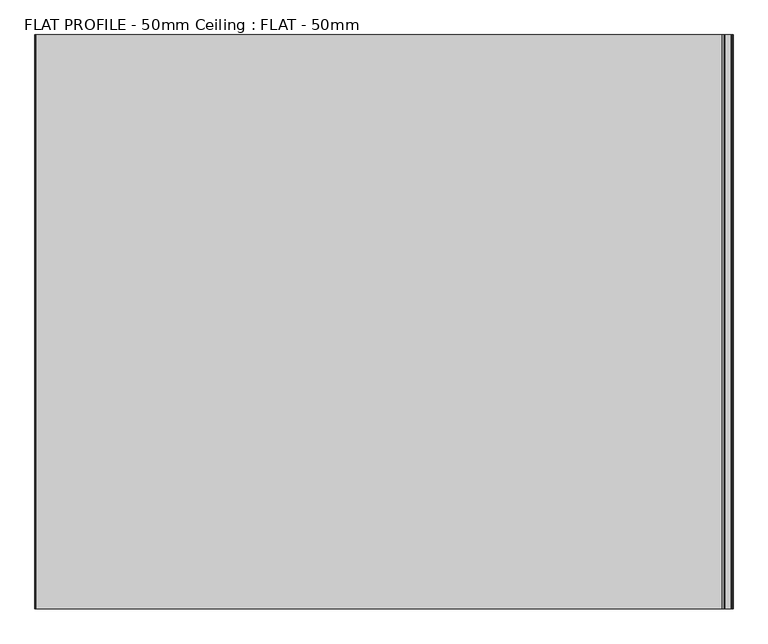
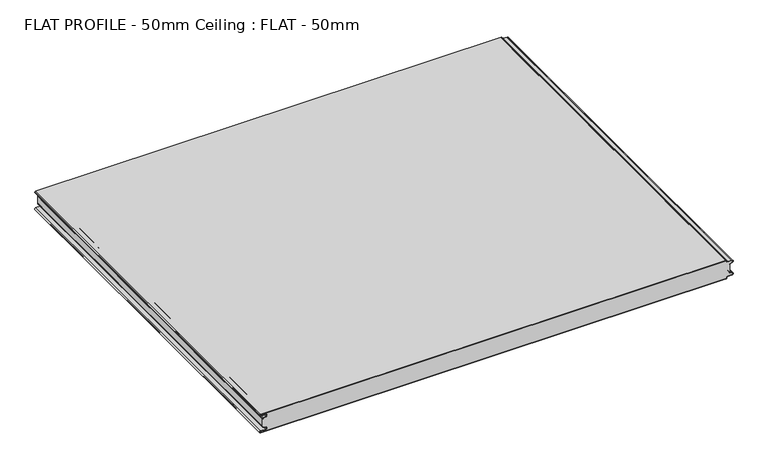
"""IFC4 building model written with IfcOpenShell, lengths in millimetres: proxy geometry, FLAT PROFILE - 50mm Ceiling : FLAT - 50mm."""

import ifcopenshell
import ifcopenshell.guid

model = None  # the IFC model being written
_history = None  # IfcOwnerHistory: only IFC2X3 demands one
_inside = {}  # id of a spatial element -> (the spatial element, [elements in it])
_under = {}  # id of a project, library or spatial element -> (it, [spatial elements below it])
_declared = {}  # id of a project -> (the project, [libraries it declares])
_typed = {}  # id of a type object -> (the type object, [elements of that type])
_made_of = {}  # id of a material, layer set ... -> (it, [elements and type objects made of it])


def new_model(schema):
    """Start an empty IFC model of exactly this schema.

    Asked for "IFC4X3", IfcOpenShell would pick the latest addendum, in which some entities
    have other attributes; the version numbers below select the first issue.
    IFC2X3 requires an IfcOwnerHistory on every rooted entity: one is made here for all.
    """
    global model, _history
    if schema == "IFC4X3":
        model = ifcopenshell.file(schema_version=(4, 3, 0, 0))
    else:
        model = ifcopenshell.file(schema=schema)
    _inside.clear()
    _under.clear()
    _declared.clear()
    _typed.clear()
    _made_of.clear()
    _history = None
    if model.schema == "IFC2X3":
        org = make("IfcOrganization", Name="unknown")
        user = make(
            "IfcPersonAndOrganization",
            ThePerson=make("IfcPerson", FamilyName="unknown"),
            TheOrganization=org,
        )
        app = make(
            "IfcApplication",
            ApplicationDeveloper=org,
            Version="unknown",
            ApplicationFullName="unknown",
            ApplicationIdentifier="unknown",
        )
        _history = make(
            "IfcOwnerHistory",
            OwningUser=user,
            OwningApplication=app,
            ChangeAction="ADDED",
            CreationDate=0,
        )
    return model


def make(cls, **values):
    """One entity of the class cls with the attributes given. An attribute that is None is left unset."""
    return model.create_entity(
        cls, **{name: value for name, value in values.items() if value is not None}
    )


def rooted(cls, **values):
    """An entity with a GlobalId (a new one), such as an element, a storey or a relation."""
    return make(cls, GlobalId=ifcopenshell.guid.new(), OwnerHistory=_history, **values)


def si_unit(unit_type, name, prefix=None):
    """IfcSIUnit, for example si_unit("LENGTHUNIT", "METRE", prefix="MILLI")."""
    return make("IfcSIUnit", UnitType=unit_type, Prefix=prefix, Name=name)


def assignment(units):
    """IfcUnitAssignment: the units of a project."""
    return None if units is None else make("IfcUnitAssignment", Units=units)


def point(xyz):
    """IfcCartesianPoint."""
    return None if xyz is None else make("IfcCartesianPoint", Coordinates=xyz)


def direction(xyz):
    """IfcDirection."""
    return None if xyz is None else make("IfcDirection", DirectionRatios=xyz)


def frame(location, z_axis=None, x_axis=None):
    """IfcAxis2Placement3D, a coordinate frame: its origin and axes. An axis left out is left unset."""
    return make(
        "IfcAxis2Placement3D",
        Location=point(location),
        Axis=direction(z_axis),
        RefDirection=direction(x_axis),
    )


def frame_2d(location, x_axis=None):
    """IfcAxis2Placement2D, a coordinate frame in the plane: its origin and x axis."""
    return make(
        "IfcAxis2Placement2D", Location=point(location), RefDirection=direction(x_axis)
    )


def origin():
    """The frame at (0, 0, 0) with its axes left unset."""
    return frame((0.0, 0.0, 0.0))


def place(relative_to, where):
    """IfcLocalPlacement: puts the frame where relative to a parent placement (None: the world)."""
    return make(
        "IfcLocalPlacement", PlacementRelTo=relative_to, RelativePlacement=where
    )


def context(
    kind, dimensions, precision=None, world=None, true_north=None, identifier=None
):
    """IfcGeometricRepresentationContext, for example the 3D "Model" context."""
    return make(
        "IfcGeometricRepresentationContext",
        ContextIdentifier=identifier,
        ContextType=kind,
        CoordinateSpaceDimension=dimensions,
        Precision=precision,
        WorldCoordinateSystem=world,
        TrueNorth=true_north,
    )


def project(units=None, contexts=None):
    """IfcProject with its units and contexts."""
    return rooted(
        "IfcProject",
        Name="project",
        RepresentationContexts=contexts,
        UnitsInContext=assignment(units),
    )


def spatial(cls, under=None, at=None, **own):
    """A site, building, storey or space (cls), placed at a placement, below another one or the project."""
    s = rooted(cls, ObjectPlacement=at, **own)
    if under is not None:
        _under.setdefault(under.id(), (under, []))[1].append(s)
    return s


def polyline(points):
    """IfcPolyline through the points."""
    return make("IfcPolyline", Points=[point(p) for p in points])


def circle_curve(where, radius):
    """IfcCircle in the frame where."""
    return make("IfcCircle", Position=where, Radius=radius)


def trimmed(basis, trim1, trim2, sense, master):
    """IfcTrimmedCurve: the piece of a basis curve between two trims."""
    return make(
        "IfcTrimmedCurve",
        BasisCurve=basis,
        Trim1=trim1,
        Trim2=trim2,
        SenseAgreement=sense,
        MasterRepresentation=master,
    )


def segment(curve, same_sense, transition):
    """IfcCompositeCurveSegment."""
    return make(
        "IfcCompositeCurveSegment",
        Transition=transition,
        SameSense=same_sense,
        ParentCurve=curve,
    )


def composite_curve(segments, self_intersect=None):
    """IfcCompositeCurve: segments joined end to end."""
    return make("IfcCompositeCurve", Segments=segments, SelfIntersect=self_intersect)


def outline(outer, holes=None, kind="AREA"):
    """IfcArbitraryClosedProfileDef: a profile drawn as a closed curve; with holes, ...WithVoids."""
    if holes is None:
        return make("IfcArbitraryClosedProfileDef", ProfileType=kind, OuterCurve=outer)
    return make(
        "IfcArbitraryProfileDefWithVoids",
        ProfileType=kind,
        OuterCurve=outer,
        InnerCurves=holes,
    )


def extrude(swept, where, along, depth):
    """IfcExtrudedAreaSolid: the profile swept, set in the frame where, extruded along a direction by depth."""
    return make(
        "IfcExtrudedAreaSolid",
        SweptArea=swept,
        Position=where,
        ExtrudedDirection=direction(along),
        Depth=depth,
    )


def shape(context_of_items, identifier, shape_type, items):
    """IfcShapeRepresentation: the items that make up one representation, for example the "Body"."""
    return make(
        "IfcShapeRepresentation",
        ContextOfItems=context_of_items,
        RepresentationIdentifier=identifier,
        RepresentationType=shape_type,
        Items=items,
    )


def source(mapping_origin, context_of_items, identifier, shape_type, items):
    """IfcRepresentationMap: a shape defined once, which mapped items show again and again."""
    return make(
        "IfcRepresentationMap",
        MappingOrigin=mapping_origin,
        MappedRepresentation=shape(context_of_items, identifier, shape_type, items),
    )


def transform(
    local_origin,
    x_axis=None,
    y_axis=None,
    z_axis=None,
    scale=None,
    scale2=None,
    scale3=None,
    uniform=True,
):
    """IfcCartesianTransformationOperator3D, or its non-uniform kind. x_axis, y_axis, z_axis: its Axis1, 2, 3."""
    if uniform:
        return make(
            "IfcCartesianTransformationOperator3D",
            Axis1=direction(x_axis),
            Axis2=direction(y_axis),
            LocalOrigin=point(local_origin),
            Scale=scale,
            Axis3=direction(z_axis),
        )
    return make(
        "IfcCartesianTransformationOperator3DnonUniform",
        Axis1=direction(x_axis),
        Axis2=direction(y_axis),
        LocalOrigin=point(local_origin),
        Scale=scale,
        Axis3=direction(z_axis),
        Scale2=scale2,
        Scale3=scale3,
    )


def mapped(mapping_source, mapping_target):
    """IfcMappedItem: shows the shape of a source again, moved by a transform."""
    return make(
        "IfcMappedItem", MappingSource=mapping_source, MappingTarget=mapping_target
    )


def made_of(thing, what):
    """Note that an element or type object is made of a material, layer set ...; save() writes the relation."""
    if what is not None:
        _made_of.setdefault(what.id(), (what, []))[1].append(thing)
    return thing


def element(
    cls,
    number,
    at=None,
    inside=None,
    cuts=None,
    type_object=None,
    material=None,
    context=None,
    identifier="Body",
    shape_type=None,
    held_by="IfcProductDefinitionShape",
    body=None,
    shapes=None,
    **own,
):
    """One element of the class cls, such as IfcWall. Its Tag is "e" and its number.

    at: its placement. inside: the storey or other place that contains it. cuts: it is an
    opening in that element (IfcRelVoidsElement). A single representation is given by context,
    identifier, shape_type and body (its items); several are given by shapes. held_by: the class
    of the entity that holds the representations. save() writes the other relations.
    """
    e = rooted(cls, Tag="e%d" % number, ObjectPlacement=at, **own)
    if body is not None:
        shapes = [shape(context, identifier, shape_type, body)]
    if shapes is not None:
        e.Representation = make(held_by, Representations=shapes)
    if inside is not None:
        _inside.setdefault(inside.id(), (inside, []))[1].append(e)
    if cuts is not None:
        rooted(
            "IfcRelVoidsElement", RelatingBuildingElement=cuts, RelatedOpeningElement=e
        )
    if type_object is not None:
        _typed.setdefault(type_object.id(), (type_object, []))[1].append(e)
    return made_of(e, material)


def aggregate(whole, parts):
    """IfcRelAggregates: a whole, such as a stair, and the parts it consists of."""
    return rooted("IfcRelAggregates", RelatingObject=whole, RelatedObjects=parts)


def save(model, path):
    """Write the relations noted so far, then the file.

    IfcRelAggregates (storeys below a building ...), IfcRelContainedInSpatialStructure (elements
    in a storey), IfcRelDefinesByType, IfcRelAssociatesMaterial and IfcRelDeclares: one each for
    every whole, place, type object, material and project.
    """
    for whole, parts in _under.values():
        aggregate(whole, parts)
    for where, things in _inside.values():
        rooted(
            "IfcRelContainedInSpatialStructure",
            RelatedElements=things,
            RelatingStructure=where,
        )
    for kind, things in _typed.values():
        rooted("IfcRelDefinesByType", RelatedObjects=things, RelatingType=kind)
    for what, things in _made_of.values():
        rooted("IfcRelAssociatesMaterial", RelatedObjects=things, RelatingMaterial=what)
    for by, libraries in _declared.values():
        rooted("IfcRelDeclares", RelatingContext=by, RelatedDefinitions=libraries)
    model.write(path)


def flat_profile_50mm_ceiling_flat_50mm_7927573b(model_context):
    return source(origin(), model_context, "Body", "SweptSolid", [
        extrude(outline(composite_curve([segment(polyline([(2488.8871068, -591.3794419), (2488.0861181, -589.3904999), (2486.0875611, -583.8995097)]), True, "CONTINUOUS"), segment(trimmed(circle_curve(frame_2d((2482.6623542, -585.2882153)), 3.6960175), [point((2486.0875611, -583.8995097))], [point((2478.983993, -584.9273771))], True, "CARTESIAN"), True, "CONTINUOUS"), segment(polyline([(2478.983993, -584.9273771), (2478.983993, -597.3733883)]), True, "CONTINUOUS"), segment(trimmed(circle_curve(frame_2d((2477.4887057, -597.4921978)), 1.5), [point((2478.983993, -597.3733883))], [point((2476.0000019, -597.3084562))], False, "CARTESIAN"), True, "CONTINUOUS"), segment(polyline([(2476.0000019, -597.3084562), (2476.0000019, 596.902372)]), True, "CONTINUOUS"), segment(trimmed(circle_curve(frame_2d((2477.5073578, 596.9047345)), 1.5073578), [point((2476.0000019, 596.902372))], [point((2477.54607, 598.4115951))], False, "CARTESIAN"), True, "CONTINUOUS"), segment(trimmed(circle_curve(frame_2d((2477.5000019, 601.9112919)), 3.5), [point((2477.54607, 598.4115951))], [point((2481.0000019, 601.9112919))], True, "CARTESIAN"), True, "CONTINUOUS"), segment(polyline([(2481.0000019, 601.9112919), (2481.0000019, 612.3116271)]), True, "CONTINUOUS"), segment(trimmed(circle_curve(frame_2d((2483.1000019, 612.3116271)), 2.1), [point((2481.0000019, 612.3116271))], [point((2485.0683049, 613.0435993))], False, "CARTESIAN"), True, "CONTINUOUS"), segment(polyline([(2485.0683049, 613.0435993), (2485.8937036, 610.7828028), (2487.0845881, 607.8546835)]), True, "CONTINUOUS"), segment(trimmed(circle_curve(frame_2d((2489.7531084, 608.9399875)), 2.8807786), [point((2487.0845881, 607.8546835))], [point((2489.5249297, 606.0682599))], True, "CARTESIAN"), True, "CONTINUOUS"), segment(polyline([(2489.5249297, 606.0682599), (2490.7477805, 606.0107004), (2490.7477805, 607.0118076), (2509.2522232, 607.0118076), (2509.2522232, 606.0107004), (2510.475074, 606.0682599)]), True, "CONTINUOUS"), segment(trimmed(circle_curve(frame_2d((2510.2468953, 608.9399875)), 2.8807786), [point((2510.475074, 606.0682599))], [point((2512.9154156, 607.8546835))], True, "CARTESIAN"), True, "CONTINUOUS"), segment(polyline([(2512.9154156, 607.8546835), (2514.1063001, 610.7828028), (2514.9316988, 613.0435993)]), True, "CONTINUOUS"), segment(trimmed(circle_curve(frame_2d((2516.9000019, 612.3116271)), 2.1), [point((2514.9316988, 613.0435993))], [point((2519.0000019, 612.3116271))], False, "CARTESIAN"), True, "CONTINUOUS"), segment(polyline([(2519.0000019, 612.3116271), (2519.0000019, 601.9112919)]), True, "CONTINUOUS"), segment(trimmed(circle_curve(frame_2d((2522.5000019, 601.9112919)), 3.5), [point((2519.0000019, 601.9112919))], [point((2522.4539337, 598.4115951))], True, "CARTESIAN"), True, "CONTINUOUS"), segment(trimmed(circle_curve(frame_2d((2522.4926459, 596.9047345)), 1.5073578), [point((2522.4539337, 598.4115951))], [point((2524.0000019, 596.902372))], False, "CARTESIAN"), True, "CONTINUOUS"), segment(polyline([(2524.0000019, 596.902372), (2524.0000019, -597.3084562)]), True, "CONTINUOUS"), segment(trimmed(circle_curve(frame_2d((2522.511298, -597.4921978)), 1.5), [point((2524.0000019, -597.3084562))], [point((2521.0160107, -597.3733883))], False, "CARTESIAN"), True, "CONTINUOUS"), segment(polyline([(2521.0160107, -597.3733883), (2521.0160107, -584.9273771)]), True, "CONTINUOUS"), segment(trimmed(circle_curve(frame_2d((2517.3376495, -585.2882153)), 3.6960175), [point((2521.0160107, -584.9273771))], [point((2513.9124426, -583.8995097))], True, "CARTESIAN"), True, "CONTINUOUS"), segment(polyline([(2513.9124426, -583.8995097), (2511.9138856, -589.3904999), (2511.1128969, -591.3794419)]), True, "CONTINUOUS"), segment(trimmed(circle_curve(frame_2d((2510.1831944, -591.0050311)), 1.0022625), [point((2511.1128969, -591.3794419))], [point((2510.3779357, -591.9881924))], False, "CARTESIAN"), True, "CONTINUOUS"), segment(polyline([(2510.3779357, -591.9881924), (2509.2522251, -591.9881924), (2509.2522251, -592.9881924), (2490.7477823, -592.9881924), (2490.7477823, -591.9881924), (2489.6220681, -591.9881924)]), True, "CONTINUOUS"), segment(trimmed(circle_curve(frame_2d((2489.8168093, -591.0050311)), 1.0022625), [point((2489.6220681, -591.9881924))], [point((2488.8871068, -591.3794419))], False, "CARTESIAN"), True, "CONTINUOUS")], self_intersect=False)), frame((0.0, 1500.0000019, 0.0), z_axis=(0.0, 1.0, 0.0), x_axis=(0.0, 0.0, 1.0)), (0.0, 0.0, 1.0), 1000.0),
        extrude(outline(composite_curve([segment(trimmed(circle_curve(frame_2d((2489.8168075, -591.0050311)), 1.0022625), [point((2488.8871049, -591.3794419))], [point((2489.6220662, -591.9881924))], True, "CARTESIAN"), True, "CONTINUOUS"), segment(polyline([(2489.6220662, -591.9881924), (2490.7477805, -591.9881924), (2490.7477805, -592.9881924), (2489.5408967, -592.9881924)]), True, "CONTINUOUS"), segment(trimmed(circle_curve(frame_2d((2489.8168075, -591.0050311)), 2.0022625), [point((2489.5408967, -592.9881924))], [point((2487.9595011, -591.7530074))], False, "CARTESIAN"), True, "CONTINUOUS"), segment(polyline([(2487.9595011, -591.7530074), (2487.1522016, -589.7483949), (2485.1545303, -584.2598383)]), True, "CONTINUOUS"), segment(trimmed(circle_curve(frame_2d((2482.6623524, -585.2882153)), 2.6960175), [point((2485.1545303, -584.2598383))], [point((2479.9839912, -584.9801705))], True, "CARTESIAN"), True, "CONTINUOUS"), segment(polyline([(2479.9839912, -584.9801705), (2479.9839912, -597.3387672)]), True, "CONTINUOUS"), segment(trimmed(circle_curve(frame_2d((2477.4887038, -597.4921978)), 2.5), [point((2479.9839912, -597.3387672))], [point((2475.0, -597.2548091))], False, "CARTESIAN"), True, "CONTINUOUS"), segment(polyline([(2475.0, -597.2548091), (2475.0, 596.9016875)]), True, "CONTINUOUS"), segment(trimmed(circle_curve(frame_2d((2477.5073559, 596.9047345)), 2.5073578), [point((2475.0, 596.9016875))], [point((2477.5482843, 599.4117582))], False, "CARTESIAN"), True, "CONTINUOUS"), segment(trimmed(circle_curve(frame_2d((2477.5, 601.9112919)), 2.5), [point((2477.5482843, 599.4117582))], [point((2480.0, 601.9112919))], True, "CARTESIAN"), True, "CONTINUOUS"), segment(polyline([(2480.0, 601.9112919), (2480.0, 612.3116271)]), True, "CONTINUOUS"), segment(trimmed(circle_curve(frame_2d((2483.1, 612.3116271)), 3.1), [point((2480.0, 612.3116271))], [point((2486.0067312, 613.3890842))], False, "CARTESIAN"), True, "CONTINUOUS"), segment(polyline([(2486.0067312, 613.3890842), (2486.826844, 611.1427659), (2487.945075, 608.2411829)]), True, "CONTINUOUS"), segment(trimmed(circle_curve(frame_2d((2489.8407353, 609.0514567)), 2.0615701), [point((2487.945075, 608.2411829))], [point((2489.5408967, 607.0118076))], True, "CARTESIAN"), True, "CONTINUOUS"), segment(polyline([(2489.5408967, 607.0118076), (2490.7477786, 607.0118076), (2490.7477786, 606.0107004), (2489.5249279, 606.0682599)]), True, "CONTINUOUS"), segment(trimmed(circle_curve(frame_2d((2489.7531065, 608.9399875)), 2.8807786), [point((2489.5249279, 606.0682599))], [point((2487.0845863, 607.8546835))], False, "CARTESIAN"), True, "CONTINUOUS"), segment(polyline([(2487.0845863, 607.8546835), (2485.8937017, 610.7828028), (2485.068303, 613.0435993)]), True, "CONTINUOUS"), segment(trimmed(circle_curve(frame_2d((2483.1, 612.3116271)), 2.1), [point((2485.068303, 613.0435993))], [point((2481.0, 612.3116271))], True, "CARTESIAN"), True, "CONTINUOUS"), segment(polyline([(2481.0, 612.3116271), (2481.0, 601.9112919)]), True, "CONTINUOUS"), segment(trimmed(circle_curve(frame_2d((2477.5, 601.9112919)), 3.5), [point((2481.0, 601.9112919))], [point((2477.5460681, 598.4115951))], False, "CARTESIAN"), True, "CONTINUOUS"), segment(trimmed(circle_curve(frame_2d((2477.5073559, 596.9047345)), 1.5073578), [point((2477.5460681, 598.4115951))], [point((2476.0, 596.902372))], True, "CARTESIAN"), True, "CONTINUOUS"), segment(polyline([(2476.0, 596.902372), (2476.0, -597.3084562)]), True, "CONTINUOUS"), segment(trimmed(circle_curve(frame_2d((2477.4887038, -597.4921978)), 1.5), [point((2476.0, -597.3084562))], [point((2478.9839912, -597.3733883))], True, "CARTESIAN"), True, "CONTINUOUS"), segment(polyline([(2478.9839912, -597.3733883), (2478.9839912, -584.9273771)]), True, "CONTINUOUS"), segment(trimmed(circle_curve(frame_2d((2482.6623524, -585.2882153)), 3.6960175), [point((2478.9839912, -584.9273771))], [point((2486.0875592, -583.8995097))], False, "CARTESIAN"), True, "CONTINUOUS"), segment(polyline([(2486.0875592, -583.8995097), (2488.0861162, -589.3904999), (2488.8871049, -591.3794419)]), True, "CONTINUOUS")], self_intersect=False)), frame((0.0, 1500.0000019, 0.0), z_axis=(0.0, 1.0, 0.0), x_axis=(0.0, 0.0, 1.0)), (0.0, 0.0, 1.0), 1000.0),
        extrude(outline(composite_curve([segment(polyline([(2511.1128951, -591.3794419), (2511.9138838, -589.3904999), (2513.9124408, -583.8995097)]), True, "CONTINUOUS"), segment(trimmed(circle_curve(frame_2d((2517.3376476, -585.2882153)), 3.6960175), [point((2513.9124408, -583.8995097))], [point((2521.0160088, -584.9273771))], False, "CARTESIAN"), True, "CONTINUOUS"), segment(polyline([(2521.0160088, -584.9273771), (2521.0160088, -597.3733883)]), True, "CONTINUOUS"), segment(trimmed(circle_curve(frame_2d((2522.5112962, -597.4921978)), 1.5), [point((2521.0160088, -597.3733883))], [point((2524.0, -597.3084562))], True, "CARTESIAN"), True, "CONTINUOUS"), segment(polyline([(2524.0, -597.3084562), (2524.0, 596.902372)]), True, "CONTINUOUS"), segment(trimmed(circle_curve(frame_2d((2522.4926441, 596.9047345)), 1.5073578), [point((2524.0, 596.902372))], [point((2522.4539319, 598.4115951))], True, "CARTESIAN"), True, "CONTINUOUS"), segment(trimmed(circle_curve(frame_2d((2522.5, 601.9112919)), 3.5), [point((2522.4539319, 598.4115951))], [point((2519.0, 601.9112919))], False, "CARTESIAN"), True, "CONTINUOUS"), segment(polyline([(2519.0, 601.9112919), (2519.0, 612.3116271)]), True, "CONTINUOUS"), segment(trimmed(circle_curve(frame_2d((2516.9, 612.3116271)), 2.1), [point((2519.0, 612.3116271))], [point((2514.931697, 613.0435993))], True, "CARTESIAN"), True, "CONTINUOUS"), segment(polyline([(2514.931697, 613.0435993), (2514.1062983, 610.7828028), (2512.9154137, 607.8546835)]), True, "CONTINUOUS"), segment(trimmed(circle_curve(frame_2d((2510.2468935, 608.9399875)), 2.8807786), [point((2512.9154137, 607.8546835))], [point((2510.4750721, 606.0682599))], False, "CARTESIAN"), True, "CONTINUOUS"), segment(polyline([(2510.4750721, 606.0682599), (2509.2522214, 606.0107004), (2509.2522214, 607.0118076), (2510.4591033, 607.0118076)]), True, "CONTINUOUS"), segment(trimmed(circle_curve(frame_2d((2510.1592647, 609.0514567)), 2.0615701), [point((2510.4591033, 607.0118076))], [point((2512.054925, 608.2411829))], True, "CARTESIAN"), True, "CONTINUOUS"), segment(polyline([(2512.054925, 608.2411829), (2513.173156, 611.1427659), (2513.9932688, 613.3890842)]), True, "CONTINUOUS"), segment(trimmed(circle_curve(frame_2d((2516.9, 612.3116271)), 3.1), [point((2513.9932688, 613.3890842))], [point((2520.0, 612.3116271))], False, "CARTESIAN"), True, "CONTINUOUS"), segment(polyline([(2520.0, 612.3116271), (2520.0, 601.9112919)]), True, "CONTINUOUS"), segment(trimmed(circle_curve(frame_2d((2522.5, 601.9112919)), 2.5), [point((2520.0, 601.9112919))], [point((2522.4517157, 599.4117582))], True, "CARTESIAN"), True, "CONTINUOUS"), segment(trimmed(circle_curve(frame_2d((2522.4926441, 596.9047345)), 2.5073578), [point((2522.4517157, 599.4117582))], [point((2525.0, 596.9016875))], False, "CARTESIAN"), True, "CONTINUOUS"), segment(polyline([(2525.0, 596.9016875), (2525.0, -597.2548091)]), True, "CONTINUOUS"), segment(trimmed(circle_curve(frame_2d((2522.5112962, -597.4921978)), 2.5), [point((2525.0, -597.2548091))], [point((2520.0160088, -597.3387672))], False, "CARTESIAN"), True, "CONTINUOUS"), segment(polyline([(2520.0160088, -597.3387672), (2520.0160088, -584.9801705)]), True, "CONTINUOUS"), segment(trimmed(circle_curve(frame_2d((2517.3376476, -585.2882153)), 2.6960175), [point((2520.0160088, -584.9801705))], [point((2514.8454697, -584.2598383))], True, "CARTESIAN"), True, "CONTINUOUS"), segment(polyline([(2514.8454697, -584.2598383), (2512.8477984, -589.7483949), (2512.0404989, -591.7530074)]), True, "CONTINUOUS"), segment(trimmed(circle_curve(frame_2d((2510.1831925, -591.0050311)), 2.0022625), [point((2512.0404989, -591.7530074))], [point((2510.4591033, -592.9881924))], False, "CARTESIAN"), True, "CONTINUOUS"), segment(polyline([(2510.4591033, -592.9881924), (2509.2522195, -592.9881924), (2509.2522195, -591.9881924), (2510.3779338, -591.9881924)]), True, "CONTINUOUS"), segment(trimmed(circle_curve(frame_2d((2510.1831925, -591.0050311)), 1.0022625), [point((2510.3779338, -591.9881924))], [point((2511.1128951, -591.3794419))], True, "CARTESIAN"), True, "CONTINUOUS")], self_intersect=False)), frame((0.0, 1500.0000019, 0.0), z_axis=(0.0, 1.0, 0.0), x_axis=(0.0, 0.0, 1.0)), (0.0, 0.0, 1.0), 1000.0),
    ])


if __name__ == "__main__":
    model = new_model("IFC4")
    model_context = context("Model", 3, world=origin())
    ifc_project = project(units=[si_unit("LENGTHUNIT", "METRE", prefix="MILLI")], contexts=[model_context])
    site = spatial("IfcSite", under=ifc_project)
    building = spatial("IfcBuilding", under=site)
    placement = place(None, origin())
    flat_profile_50mm_ceiling_flat_50mm_shape = flat_profile_50mm_ceiling_flat_50mm_7927573b(model_context)
    element("IfcBuildingElementProxy", 1, Name="FLAT PROFILE - 50mm Ceiling : FLAT - 50mm", ObjectType="FLAT PROFILE - 50mm Ceiling : FLAT - 50mm", at=placement, inside=building, context=model_context, shape_type="MappedRepresentation", body=[
        mapped(flat_profile_50mm_ceiling_flat_50mm_shape, transform((0.0, 0.0, 0.0), x_axis=(1.0, 0.0, 0.0), y_axis=(0.0, 1.0, 0.0), z_axis=(0.0, 0.0, 1.0))),
    ])
    save(model, "model.ifc")
